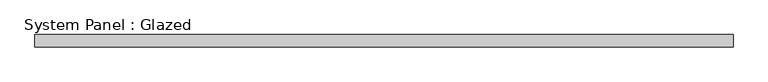
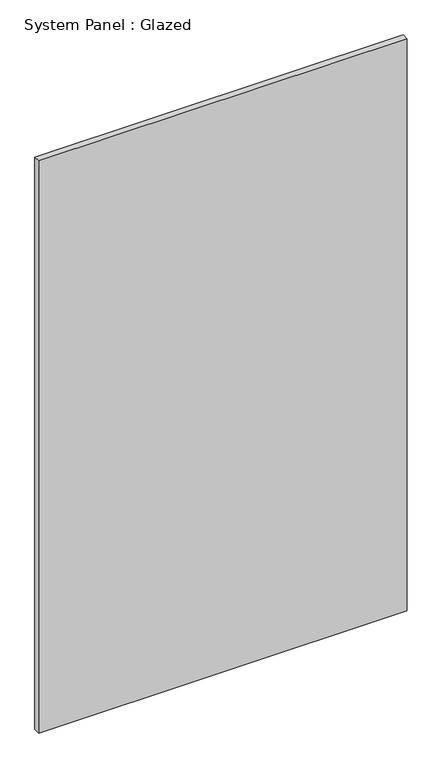
"""IFC4 building model written with IfcOpenShell, lengths in millimetres: plate geometry, System Panel : Glazed."""

from ifc_helpers import new_model, si_unit, origin, origin_with_axes, place, context, project, spatial, polyline, outline, extrude, source, transform, mapped, element, save


def system_panel_glazed_1c07ffdc(model_context):
    return source(origin(), model_context, "Body", "SweptSolid", [
        extrude(outline(polyline([(708.3333333, 24.5), (-708.3333333, 24.5), (-708.3333333, 49.5), (708.3333333, 49.5), (708.3333333, 24.5)])), origin_with_axes(), (0.0, 0.0, 1.0), 2325.0),
    ])


if __name__ == "__main__":
    model = new_model("IFC4")
    model_context = context("Model", 3, world=origin())
    ifc_project = project(units=[si_unit("LENGTHUNIT", "METRE", prefix="MILLI")], contexts=[model_context])
    site = spatial("IfcSite", under=ifc_project)
    building = spatial("IfcBuilding", under=site)
    placement = place(None, origin())
    system_panel_glazed_shape = system_panel_glazed_1c07ffdc(model_context)
    element("IfcPlate", 1, ObjectType="System Panel : Glazed", at=placement, inside=building, context=model_context, shape_type="MappedRepresentation", body=[
        mapped(system_panel_glazed_shape, transform((0.0, 0.0, 0.0), x_axis=(1.0, 0.0, 0.0), y_axis=(0.0, 1.0, 0.0), z_axis=(0.0, 0.0, 1.0))),
    ])
    save(model, "model.ifc")
